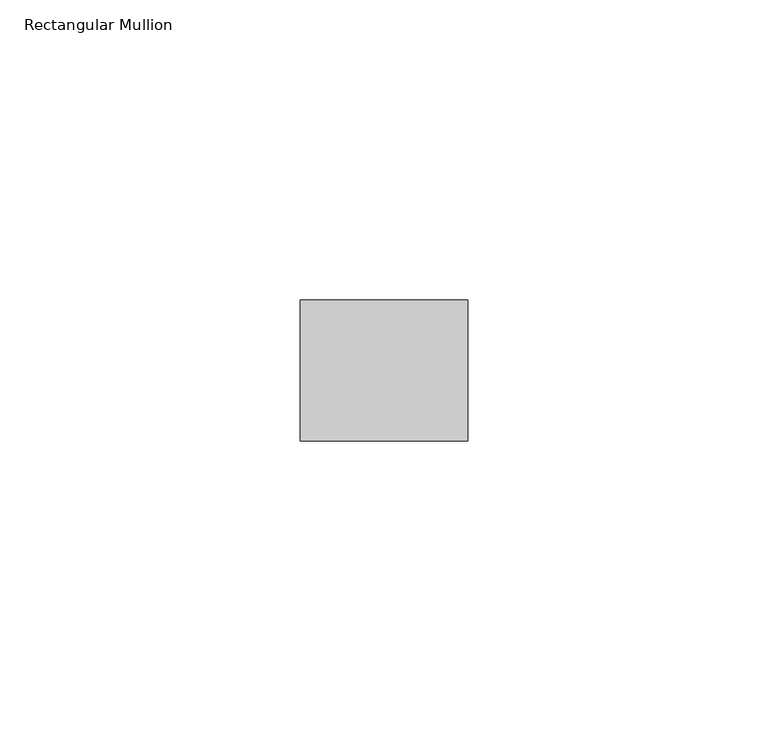
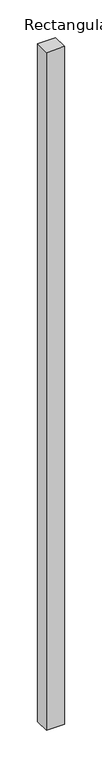
"""IFC4 building model written with IfcOpenShell, lengths in millimetres: member geometry, Rectangular Mullion."""

from ifc_helpers import new_model, si_unit, frame, origin, place, context, project, spatial, polyline, outline, extrude, source, transform, mapped, element, save


def rectangular_mullion_d999e781(model_context):
    return source(origin(), model_context, "Body", "SweptSolid", [
        extrude(outline(polyline([(0.0, -11.7474999), (-27.94, -11.7474999), (-27.94, 11.7474999), (0.0, 11.7474999), (0.0, -11.7474999)])), frame((0.0, 0.0, -1097.7003816), z_axis=(0.0, 0.0, 1.0), x_axis=(1.0, 0.0, 0.0)), (0.0, 0.0, 1.0), 1097.7003816),
    ])


if __name__ == "__main__":
    model = new_model("IFC4")
    model_context = context("Model", 3, world=origin())
    ifc_project = project(units=[si_unit("LENGTHUNIT", "METRE", prefix="MILLI")], contexts=[model_context])
    site = spatial("IfcSite", under=ifc_project)
    building = spatial("IfcBuilding", under=site)
    placement = place(None, origin())
    rectangular_mullion_shape = rectangular_mullion_d999e781(model_context)
    element("IfcMember", 1, ObjectType="Rectangular Mullion", at=placement, inside=building, context=model_context, shape_type="MappedRepresentation", body=[
        mapped(rectangular_mullion_shape, transform((0.0, 0.0, 0.0), x_axis=(1.0, 0.0, 0.0), y_axis=(0.0, 1.0, 0.0), z_axis=(0.0, 0.0, 1.0))),
    ])
    save(model, "model.ifc")
